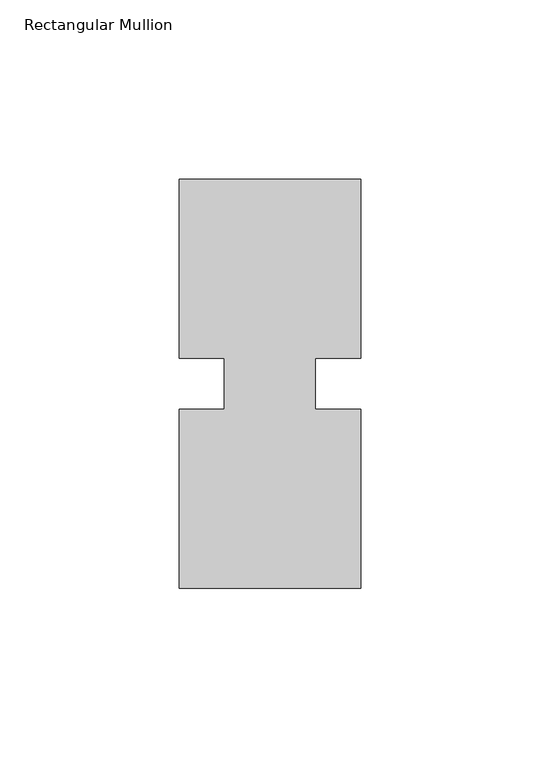
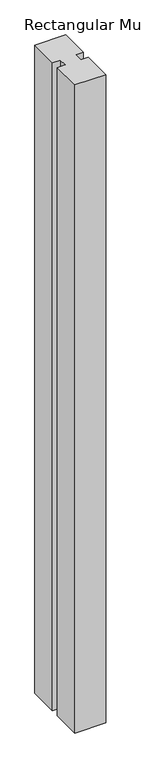
"""IFC4 building model written with IfcOpenShell, lengths in millimetres: member geometry, Rectangular Mullion."""

import ifcopenshell
import ifcopenshell.guid

model = None  # the IFC model being written
_history = None  # IfcOwnerHistory: only IFC2X3 demands one
_inside = {}  # id of a spatial element -> (the spatial element, [elements in it])
_under = {}  # id of a project, library or spatial element -> (it, [spatial elements below it])
_declared = {}  # id of a project -> (the project, [libraries it declares])
_typed = {}  # id of a type object -> (the type object, [elements of that type])
_made_of = {}  # id of a material, layer set ... -> (it, [elements and type objects made of it])


def new_model(schema):
    """Start an empty IFC model of exactly this schema.

    Asked for "IFC4X3", IfcOpenShell would pick the latest addendum, in which some entities
    have other attributes; the version numbers below select the first issue.
    IFC2X3 requires an IfcOwnerHistory on every rooted entity: one is made here for all.
    """
    global model, _history
    if schema == "IFC4X3":
        model = ifcopenshell.file(schema_version=(4, 3, 0, 0))
    else:
        model = ifcopenshell.file(schema=schema)
    _inside.clear()
    _under.clear()
    _declared.clear()
    _typed.clear()
    _made_of.clear()
    _history = None
    if model.schema == "IFC2X3":
        org = make("IfcOrganization", Name="unknown")
        user = make(
            "IfcPersonAndOrganization",
            ThePerson=make("IfcPerson", FamilyName="unknown"),
            TheOrganization=org,
        )
        app = make(
            "IfcApplication",
            ApplicationDeveloper=org,
            Version="unknown",
            ApplicationFullName="unknown",
            ApplicationIdentifier="unknown",
        )
        _history = make(
            "IfcOwnerHistory",
            OwningUser=user,
            OwningApplication=app,
            ChangeAction="ADDED",
            CreationDate=0,
        )
    return model


def make(cls, **values):
    """One entity of the class cls with the attributes given. An attribute that is None is left unset."""
    return model.create_entity(
        cls, **{name: value for name, value in values.items() if value is not None}
    )


def rooted(cls, **values):
    """An entity with a GlobalId (a new one), such as an element, a storey or a relation."""
    return make(cls, GlobalId=ifcopenshell.guid.new(), OwnerHistory=_history, **values)


def si_unit(unit_type, name, prefix=None):
    """IfcSIUnit, for example si_unit("LENGTHUNIT", "METRE", prefix="MILLI")."""
    return make("IfcSIUnit", UnitType=unit_type, Prefix=prefix, Name=name)


def assignment(units):
    """IfcUnitAssignment: the units of a project."""
    return None if units is None else make("IfcUnitAssignment", Units=units)


def point(xyz):
    """IfcCartesianPoint."""
    return None if xyz is None else make("IfcCartesianPoint", Coordinates=xyz)


def direction(xyz):
    """IfcDirection."""
    return None if xyz is None else make("IfcDirection", DirectionRatios=xyz)


def frame(location, z_axis=None, x_axis=None):
    """IfcAxis2Placement3D, a coordinate frame: its origin and axes. An axis left out is left unset."""
    return make(
        "IfcAxis2Placement3D",
        Location=point(location),
        Axis=direction(z_axis),
        RefDirection=direction(x_axis),
    )


def origin():
    """The frame at (0, 0, 0) with its axes left unset."""
    return frame((0.0, 0.0, 0.0))


def place(relative_to, where):
    """IfcLocalPlacement: puts the frame where relative to a parent placement (None: the world)."""
    return make(
        "IfcLocalPlacement", PlacementRelTo=relative_to, RelativePlacement=where
    )


def context(
    kind, dimensions, precision=None, world=None, true_north=None, identifier=None
):
    """IfcGeometricRepresentationContext, for example the 3D "Model" context."""
    return make(
        "IfcGeometricRepresentationContext",
        ContextIdentifier=identifier,
        ContextType=kind,
        CoordinateSpaceDimension=dimensions,
        Precision=precision,
        WorldCoordinateSystem=world,
        TrueNorth=true_north,
    )


def project(units=None, contexts=None):
    """IfcProject with its units and contexts."""
    return rooted(
        "IfcProject",
        Name="project",
        RepresentationContexts=contexts,
        UnitsInContext=assignment(units),
    )


def spatial(cls, under=None, at=None, **own):
    """A site, building, storey or space (cls), placed at a placement, below another one or the project."""
    s = rooted(cls, ObjectPlacement=at, **own)
    if under is not None:
        _under.setdefault(under.id(), (under, []))[1].append(s)
    return s


def polyline(points):
    """IfcPolyline through the points."""
    return make("IfcPolyline", Points=[point(p) for p in points])


def outline(outer, holes=None, kind="AREA"):
    """IfcArbitraryClosedProfileDef: a profile drawn as a closed curve; with holes, ...WithVoids."""
    if holes is None:
        return make("IfcArbitraryClosedProfileDef", ProfileType=kind, OuterCurve=outer)
    return make(
        "IfcArbitraryProfileDefWithVoids",
        ProfileType=kind,
        OuterCurve=outer,
        InnerCurves=holes,
    )


def extrude(swept, where, along, depth):
    """IfcExtrudedAreaSolid: the profile swept, set in the frame where, extruded along a direction by depth."""
    return make(
        "IfcExtrudedAreaSolid",
        SweptArea=swept,
        Position=where,
        ExtrudedDirection=direction(along),
        Depth=depth,
    )


def shape(context_of_items, identifier, shape_type, items):
    """IfcShapeRepresentation: the items that make up one representation, for example the "Body"."""
    return make(
        "IfcShapeRepresentation",
        ContextOfItems=context_of_items,
        RepresentationIdentifier=identifier,
        RepresentationType=shape_type,
        Items=items,
    )


def source(mapping_origin, context_of_items, identifier, shape_type, items):
    """IfcRepresentationMap: a shape defined once, which mapped items show again and again."""
    return make(
        "IfcRepresentationMap",
        MappingOrigin=mapping_origin,
        MappedRepresentation=shape(context_of_items, identifier, shape_type, items),
    )


def transform(
    local_origin,
    x_axis=None,
    y_axis=None,
    z_axis=None,
    scale=None,
    scale2=None,
    scale3=None,
    uniform=True,
):
    """IfcCartesianTransformationOperator3D, or its non-uniform kind. x_axis, y_axis, z_axis: its Axis1, 2, 3."""
    if uniform:
        return make(
            "IfcCartesianTransformationOperator3D",
            Axis1=direction(x_axis),
            Axis2=direction(y_axis),
            LocalOrigin=point(local_origin),
            Scale=scale,
            Axis3=direction(z_axis),
        )
    return make(
        "IfcCartesianTransformationOperator3DnonUniform",
        Axis1=direction(x_axis),
        Axis2=direction(y_axis),
        LocalOrigin=point(local_origin),
        Scale=scale,
        Axis3=direction(z_axis),
        Scale2=scale2,
        Scale3=scale3,
    )


def mapped(mapping_source, mapping_target):
    """IfcMappedItem: shows the shape of a source again, moved by a transform."""
    return make(
        "IfcMappedItem", MappingSource=mapping_source, MappingTarget=mapping_target
    )


def made_of(thing, what):
    """Note that an element or type object is made of a material, layer set ...; save() writes the relation."""
    if what is not None:
        _made_of.setdefault(what.id(), (what, []))[1].append(thing)
    return thing


def element(
    cls,
    number,
    at=None,
    inside=None,
    cuts=None,
    type_object=None,
    material=None,
    context=None,
    identifier="Body",
    shape_type=None,
    held_by="IfcProductDefinitionShape",
    body=None,
    shapes=None,
    **own,
):
    """One element of the class cls, such as IfcWall. Its Tag is "e" and its number.

    at: its placement. inside: the storey or other place that contains it. cuts: it is an
    opening in that element (IfcRelVoidsElement). A single representation is given by context,
    identifier, shape_type and body (its items); several are given by shapes. held_by: the class
    of the entity that holds the representations. save() writes the other relations.
    """
    e = rooted(cls, Tag="e%d" % number, ObjectPlacement=at, **own)
    if body is not None:
        shapes = [shape(context, identifier, shape_type, body)]
    if shapes is not None:
        e.Representation = make(held_by, Representations=shapes)
    if inside is not None:
        _inside.setdefault(inside.id(), (inside, []))[1].append(e)
    if cuts is not None:
        rooted(
            "IfcRelVoidsElement", RelatingBuildingElement=cuts, RelatedOpeningElement=e
        )
    if type_object is not None:
        _typed.setdefault(type_object.id(), (type_object, []))[1].append(e)
    return made_of(e, material)


def aggregate(whole, parts):
    """IfcRelAggregates: a whole, such as a stair, and the parts it consists of."""
    return rooted("IfcRelAggregates", RelatingObject=whole, RelatedObjects=parts)


def save(model, path):
    """Write the relations noted so far, then the file.

    IfcRelAggregates (storeys below a building ...), IfcRelContainedInSpatialStructure (elements
    in a storey), IfcRelDefinesByType, IfcRelAssociatesMaterial and IfcRelDeclares: one each for
    every whole, place, type object, material and project.
    """
    for whole, parts in _under.values():
        aggregate(whole, parts)
    for where, things in _inside.values():
        rooted(
            "IfcRelContainedInSpatialStructure",
            RelatedElements=things,
            RelatingStructure=where,
        )
    for kind, things in _typed.values():
        rooted("IfcRelDefinesByType", RelatedObjects=things, RelatingType=kind)
    for what, things in _made_of.values():
        rooted("IfcRelAssociatesMaterial", RelatedObjects=things, RelatingMaterial=what)
    for by, libraries in _declared.values():
        rooted("IfcRelDeclares", RelatingContext=by, RelatedDefinitions=libraries)
    model.write(path)


def rectangular_mullion_e0f08894(model_context):
    return source(origin(), model_context, "Body", "SweptSolid", [
        extrude(outline(polyline([(29.7344027, 57.15), (29.7344027, 7.14375), (17.0326322, 7.14375), (17.0326322, -7.14375), (29.7344027, -7.14375), (29.7344027, -57.15), (-21.0655973, -57.15), (-21.0655973, -7.14375), (-8.3655973, -7.14375), (-8.3655973, 7.14375), (-21.0655973, 7.14375), (-21.0655973, 57.15), (29.7344027, 57.15)])), frame((0.0, 0.0, -1130.3), z_axis=(0.0, 0.0, 1.0), x_axis=(1.0, 0.0, 0.0)), (0.0, 0.0, 1.0), 1130.3),
    ])


if __name__ == "__main__":
    model = new_model("IFC4")
    model_context = context("Model", 3, world=origin())
    ifc_project = project(units=[si_unit("LENGTHUNIT", "METRE", prefix="MILLI")], contexts=[model_context])
    site = spatial("IfcSite", under=ifc_project)
    building = spatial("IfcBuilding", under=site)
    placement = place(None, origin())
    rectangular_mullion_shape = rectangular_mullion_e0f08894(model_context)
    element("IfcMember", 1, ObjectType="Rectangular Mullion", at=placement, inside=building, context=model_context, shape_type="MappedRepresentation", body=[
        mapped(rectangular_mullion_shape, transform((0.0, 0.0, 0.0), x_axis=(1.0, 0.0, 0.0), y_axis=(0.0, 1.0, 0.0), z_axis=(0.0, 0.0, 1.0))),
    ])
    save(model, "model.ifc")
